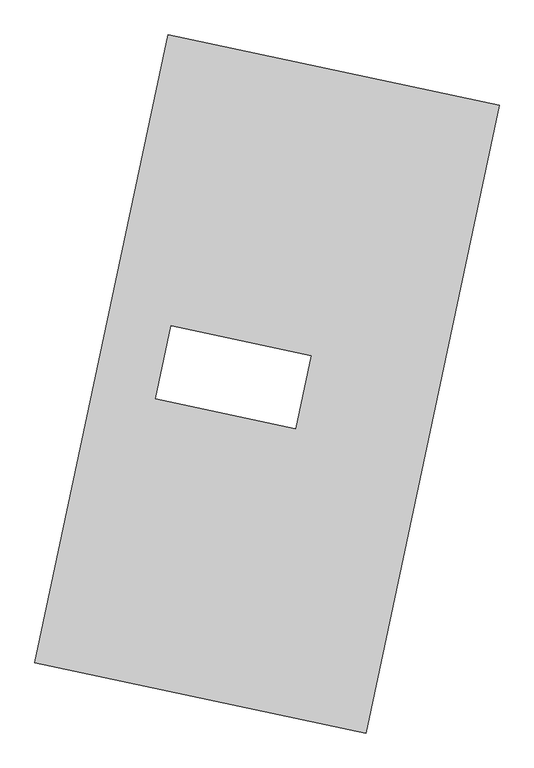
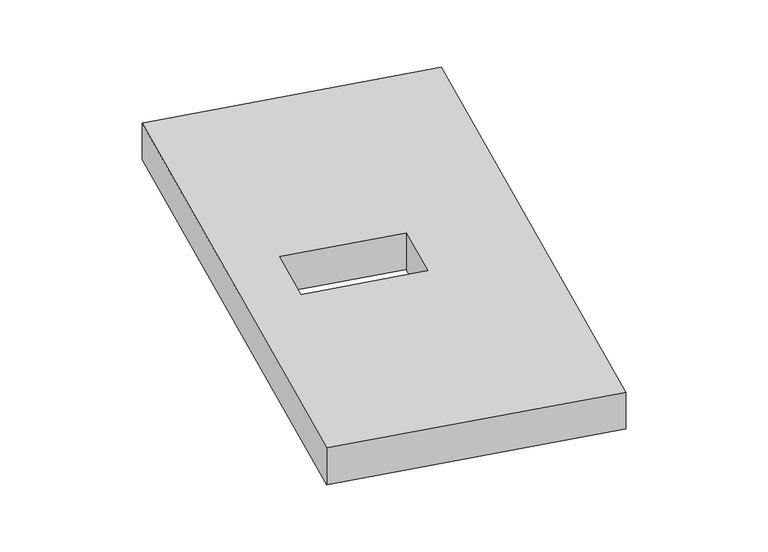
"""IFC4 building model written with IfcOpenShell, lengths in millimetres: proxy geometry."""

from ifc_helpers import new_model, si_unit, origin, origin_with_axes, place, context, project, spatial, polyline, outline, extrude, source, transform, mapped, element, save


def generic_models_4d8f39a9(model_context):
    return source(origin(), model_context, "Body", "SweptSolid", [
        extrude(outline(polyline([(-617.3692021, 2175.5580432), (1447.7508745, 1737.3010494), (617.3692021, -2175.5580432), (-1447.7508745, -1737.3010494), (-617.3692021, 2175.5580432)]), holes=[polyline([(275.1943447, 176.658888), (-599.2454593, 362.2313223), (-695.8245802, -92.8612015), (178.6152239, -278.4336358), (275.1943447, 176.658888)])]), origin_with_axes(), (0.0, 0.0, 1.0), 300.0),
    ])


if __name__ == "__main__":
    model = new_model("IFC4")
    model_context = context("Model", 3, world=origin())
    ifc_project = project(units=[si_unit("LENGTHUNIT", "METRE", prefix="MILLI")], contexts=[model_context])
    site = spatial("IfcSite", under=ifc_project)
    building = spatial("IfcBuilding", under=site)
    placement = place(None, origin())
    generic_models_shape = generic_models_4d8f39a9(model_context)
    element("IfcBuildingElementProxy", 1, Name="Generic Models", at=placement, inside=building, context=model_context, shape_type="MappedRepresentation", body=[
        mapped(generic_models_shape, transform((0.0, 0.0, 0.0), x_axis=(1.0, 0.0, 0.0), y_axis=(0.0, 1.0, 0.0), z_axis=(0.0, 0.0, 1.0))),
    ])
    save(model, "model.ifc")
